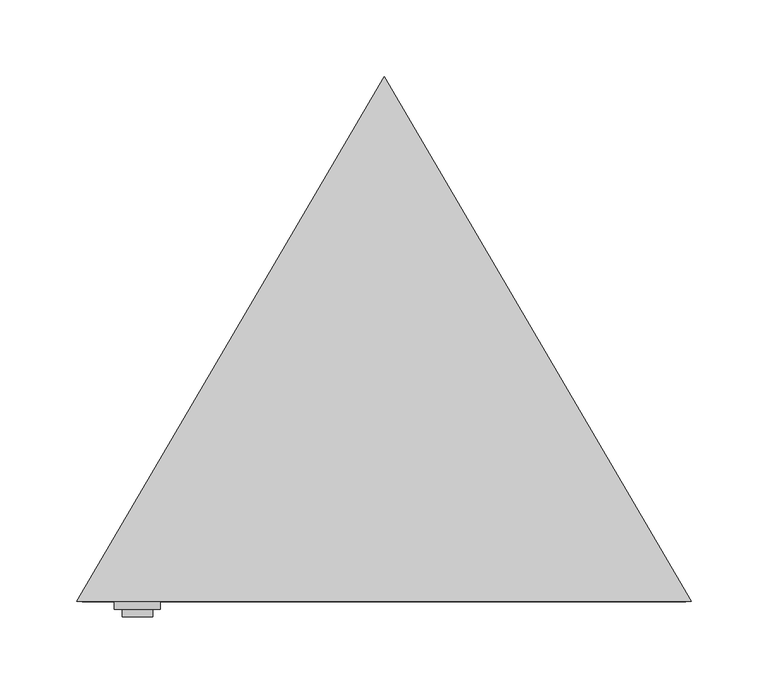
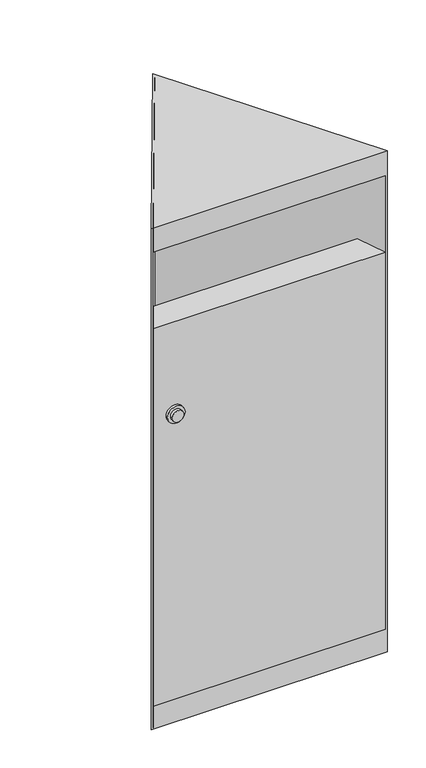
"""IFC4 building model written with IfcOpenShell, lengths in millimetres: furniture geometry."""

from ifc_helpers import new_model, si_unit, point, frame, frame_2d, origin, origin_with_axes, place, context, project, spatial, polyline, circle_curve, trimmed, segment, composite_curve, outline, extrude, faceted_brep, source, transform, mapped, element, save


def furniture_601b65e4(model_context):
    return source(origin(), model_context, "Body", "SolidModel", [
        faceted_brep([(-194.768619, -107.0, 40.8), (194.768619, -107.0, 40.8), (196.524116, -110.0, 40.8), (-196.524116, -110.0, 40.8), (196.524116, -110.0, 717.2462798), (-196.524116, -110.0, 717.2462798), (-194.768619, -107.0, 714.7289809), (194.768619, -107.0, 714.7289809), (-172.3205376, -68.6380744, 721.4932235), (172.3205376, -68.6380744, 721.4932235), (-172.6253764, -69.1590189, 724.4476467), (172.6253764, -69.1590189, 724.4476467)], [[[0, 1, 2, 3]], [[4, 5, 3, 2]], [[6, 7, 1, 0]], [[7, 6, 8, 9]], [[9, 8, 10, 11]], [[5, 4, 11, 10]], [[8, 6, 0, 3, 5, 10]], [[1, 7, 9, 11, 4, 2]]]),
        faceted_brep([(200.0, -110.0, 898.0), (0.0, 231.7835572, 898.0), (-200.0, -110.0, 898.0), (-200.0, -110.0, 0.0), (0.0, 231.7835572, 0.0), (200.0, -110.0, 0.0), (0.0, 225.8435572, 0.0), (-194.768619, -107.0, 0.0), (194.768619, -107.0, 0.0), (0.0, 225.8435572, 895.0), (-194.768619, -107.0, 895.0), (-194.768619, -107.0, 854.2), (-196.524116, -110.0, 854.2), (-196.524116, -110.0, 40.8), (-194.768619, -107.0, 40.8), (194.768619, -107.0, 40.8), (196.524116, -110.0, 40.8), (196.524116, -110.0, 854.2), (194.768619, -107.0, 854.2), (194.768619, -107.0, 895.0)], [[[0, 1, 2]], [[3, 4, 5], [6, 7, 8]], [[6, 9, 10, 11, 12, 13, 14, 7]], [[9, 6, 8, 15, 16, 17, 18, 19]], [[3, 5, 0, 2], [17, 16, 13, 12]], [[1, 0, 5, 4]], [[2, 1, 4, 3]], [[10, 9, 19]], [[11, 18, 17, 12]], [[18, 11, 10, 19]], [[15, 14, 13, 16]], [[14, 15, 8, 7]]]),
        extrude(outline(polyline([(0.0, 225.8435572), (194.768619, -107.0), (-194.768619, -107.0), (0.0, 225.8435572)])), origin_with_axes(), (0.0, 0.0, 1.0), 3.0),
        extrude(outline(composite_curve([segment(trimmed(circle_curve(frame_2d((554.0, -160.5265992)), 10.0), [point((554.0, -170.5265992))], [point((554.0, -150.5265992))], False, "CARTESIAN"), True, "CONTINUOUS"), segment(trimmed(circle_curve(frame_2d((554.0, -160.5265992)), 10.0), [point((554.0, -150.5265992))], [point((554.0, -170.5265992))], False, "CARTESIAN"), True, "CONTINUOUS")], self_intersect=False)), frame((0.0, -120.0, 0.0), z_axis=(0.0, 1.0, 0.0), x_axis=(0.0, 0.0, 1.0)), (0.0, 0.0, 1.0), 5.0),
        extrude(outline(composite_curve([segment(trimmed(circle_curve(frame_2d((554.0, -160.5265992)), 15.0), [point((554.0, -175.5265992))], [point((554.0, -145.5265992))], False, "CARTESIAN"), True, "CONTINUOUS"), segment(trimmed(circle_curve(frame_2d((554.0, -160.5265992)), 15.0), [point((554.0, -145.5265992))], [point((554.0, -175.5265992))], False, "CARTESIAN"), True, "CONTINUOUS")], self_intersect=False)), frame((0.0, -115.0, 0.0), z_axis=(0.0, 1.0, 0.0), x_axis=(0.0, 0.0, 1.0)), (0.0, 0.0, 1.0), 5.0),
    ])


if __name__ == "__main__":
    model = new_model("IFC4")
    model_context = context("Model", 3, world=origin())
    ifc_project = project(units=[si_unit("LENGTHUNIT", "METRE", prefix="MILLI")], contexts=[model_context])
    site = spatial("IfcSite", under=ifc_project)
    building = spatial("IfcBuilding", under=site)
    placement = place(None, origin())
    furniture_shape = furniture_601b65e4(model_context)
    element("IfcFurniture", 1, at=placement, inside=building, context=model_context, shape_type="MappedRepresentation", body=[
        mapped(furniture_shape, transform((0.0, 0.0, 0.0), x_axis=(1.0, 0.0, 0.0), y_axis=(0.0, 1.0, 0.0), z_axis=(0.0, 0.0, 1.0))),
    ])
    save(model, "model.ifc")
